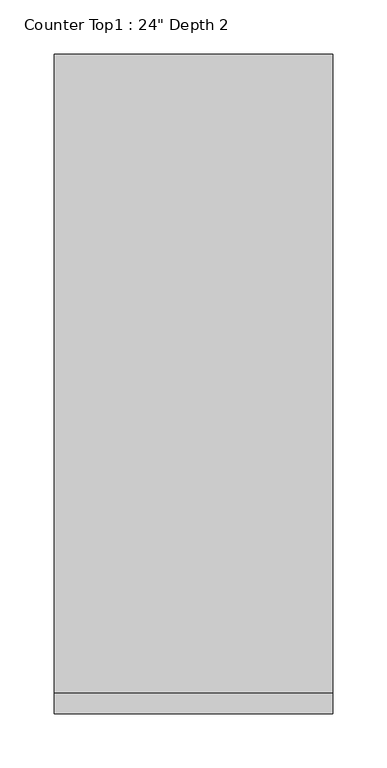
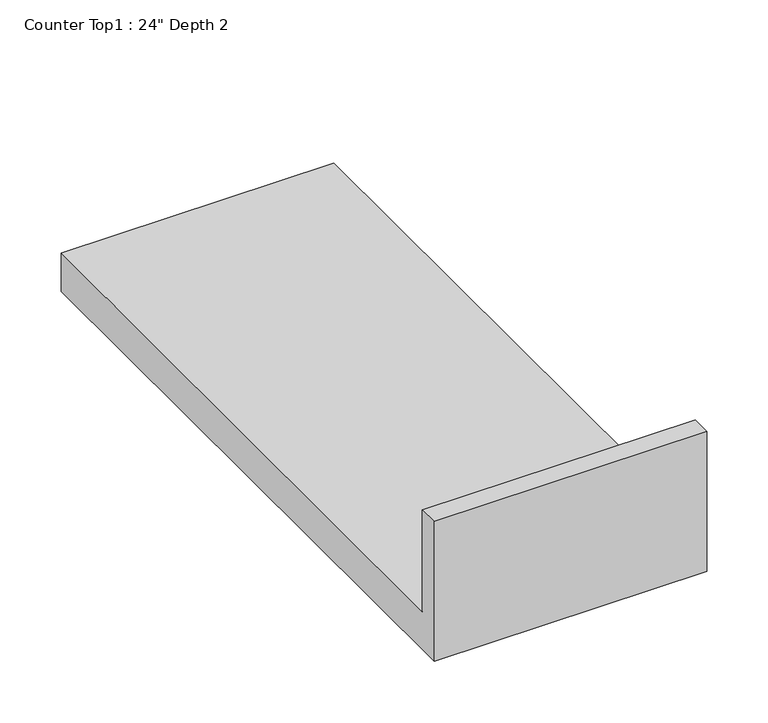
"""IFC4 building model written with IfcOpenShell, lengths in millimetres: furniture geometry."""

from ifc_helpers import new_model, si_unit, frame, origin, place, context, project, spatial, polyline, outline, extrude, source, transform, mapped, element, save


def furniture_18f13372(model_context):
    return source(origin(), model_context, "Body", "SweptSolid", [
        extrude(outline(polyline([(0.0, 1016.0), (19.05, 1016.0), (19.05, 914.4), (609.6, 914.4), (609.6, 876.3), (0.0, 876.3), (0.0, 1016.0)])), frame((-1200.4622951, 0.0, 0.0), z_axis=(1.0, 0.0, 0.0), x_axis=(0.0, 1.0, 0.0)), (0.0, 0.0, 1.0), 257.3745751),
    ])


if __name__ == "__main__":
    model = new_model("IFC4")
    model_context = context("Model", 3, world=origin())
    ifc_project = project(units=[si_unit("LENGTHUNIT", "METRE", prefix="MILLI")], contexts=[model_context])
    site = spatial("IfcSite", under=ifc_project)
    building = spatial("IfcBuilding", under=site)
    placement = place(None, origin())
    furniture_shape = furniture_18f13372(model_context)
    element("IfcFurniture", 1, ObjectType="Counter Top1 : 24\" Depth 2", at=placement, inside=building, context=model_context, shape_type="MappedRepresentation", body=[
        mapped(furniture_shape, transform((0.0, 0.0, 0.0), x_axis=(1.0, 0.0, 0.0), y_axis=(0.0, 1.0, 0.0), z_axis=(0.0, 0.0, 1.0))),
    ])
    save(model, "model.ifc")
